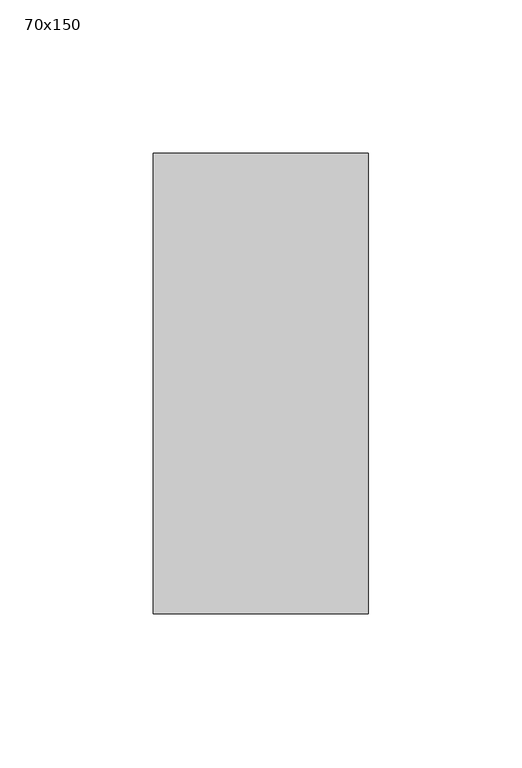
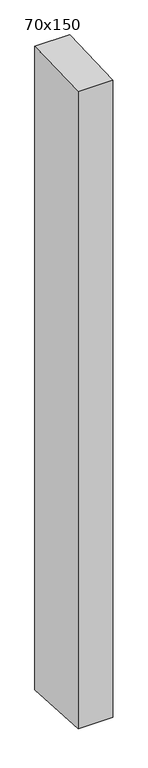
"""IFC4 building model written with IfcOpenShell, lengths in millimetres: member geometry, 70x150."""

from ifc_helpers import new_model, si_unit, frame, origin, place, context, project, spatial, polyline, outline, extrude, source, transform, mapped, element, save


def member_70x150_f63319ac(model_context):
    return source(origin(), model_context, "Body", "SweptSolid", [
        extrude(outline(polyline([(-75.0, -2.6562149), (75.0, 2.6562149), (75.0, -1362.1881869), (-75.0, -1354.1439666), (-75.0, -2.6562149)])), frame((-35.0, 0.0, 0.0), z_axis=(1.0, 0.0, 0.0), x_axis=(0.0, 1.0, 0.0)), (0.0, 0.0, 1.0), 70.0),
    ])


if __name__ == "__main__":
    model = new_model("IFC4")
    model_context = context("Model", 3, world=origin())
    ifc_project = project(units=[si_unit("LENGTHUNIT", "METRE", prefix="MILLI")], contexts=[model_context])
    site = spatial("IfcSite", under=ifc_project)
    building = spatial("IfcBuilding", under=site)
    placement = place(None, origin())
    member_70x150_shape = member_70x150_f63319ac(model_context)
    element("IfcMember", 1, ObjectType="70x150", at=placement, inside=building, context=model_context, shape_type="MappedRepresentation", body=[
        mapped(member_70x150_shape, transform((0.0, 0.0, 0.0), x_axis=(1.0, 0.0, 0.0), y_axis=(0.0, 1.0, 0.0), z_axis=(0.0, 0.0, 1.0))),
    ])
    save(model, "model.ifc")
